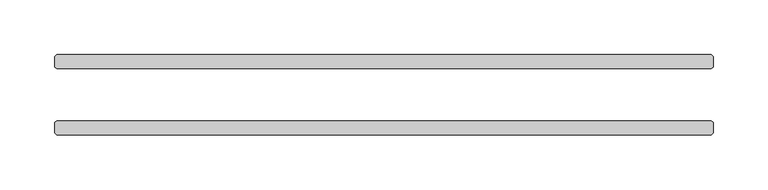
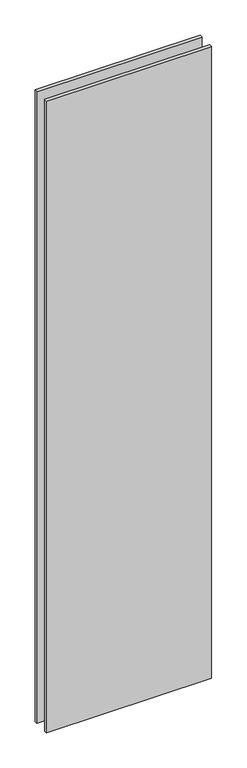
"""IFC4 building model written with IfcOpenShell, lengths in millimetres: plate geometry."""

from ifc_helpers import new_model, si_unit, origin, origin_with_axes, place, context, project, spatial, polyline, outline, extrude, source, transform, mapped, element, save


def plate_bf131a55(model_context):
    return source(origin(), model_context, "Body", "SweptSolid", [
        extrude(outline(polyline([(298.053125, -23.8125), (299.640625, -25.4), (299.640625, -34.925), (298.053125, -36.5125), (-298.053125, -36.5125), (-299.640625, -34.925), (-299.640625, -25.4), (-298.053125, -23.8125), (298.053125, -23.8125)])), origin_with_axes(), (0.0, 0.0, 1.0), 2417.7625023),
        extrude(outline(polyline([(298.053125, 36.5125), (299.640625, 34.925), (299.640625, 25.4), (298.053125, 23.8125), (-298.053125, 23.8125), (-299.640625, 25.4), (-299.640625, 34.925), (-298.053125, 36.5125), (298.053125, 36.5125)])), origin_with_axes(), (0.0, 0.0, 1.0), 2417.7625023),
    ])


if __name__ == "__main__":
    model = new_model("IFC4")
    model_context = context("Model", 3, world=origin())
    ifc_project = project(units=[si_unit("LENGTHUNIT", "METRE", prefix="MILLI")], contexts=[model_context])
    site = spatial("IfcSite", under=ifc_project)
    building = spatial("IfcBuilding", under=site)
    placement = place(None, origin())
    plate_shape = plate_bf131a55(model_context)
    element("IfcPlate", 1, at=placement, inside=building, context=model_context, shape_type="MappedRepresentation", body=[
        mapped(plate_shape, transform((0.0, 0.0, 0.0), x_axis=(1.0, 0.0, 0.0), y_axis=(0.0, 1.0, 0.0), z_axis=(0.0, 0.0, 1.0))),
    ])
    save(model, "model.ifc")
